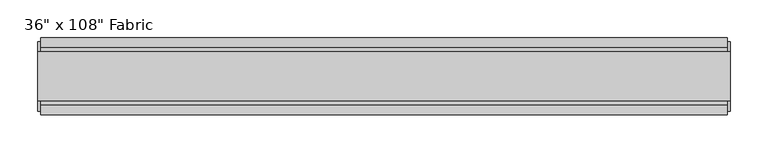
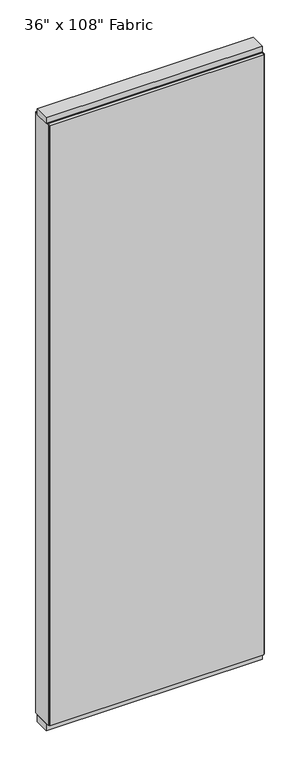
"""IFC4 building model written with IfcOpenShell, lengths in millimetres: furniture geometry."""

from ifc_helpers import new_model, si_unit, frame, origin, origin_with_axes, place, context, project, spatial, polyline, outline, extrude, source, transform, mapped, element, save


def furniture_d7e1df76(model_context):
    return source(origin(), model_context, "Body", "SweptSolid", [
        extrude(outline(polyline([(393.2264771, -46.2822784), (-513.2995229, -46.2822784), (-513.2995229, -33.5822784), (393.2264771, -33.5822784), (393.2264771, -46.2822784)])), frame((0.0, 0.0, 31.75), z_axis=(0.0, 0.0, 1.0), x_axis=(1.0, 0.0, 0.0)), (0.0, 0.0, 1.0), 2686.05),
        extrude(outline(polyline([(393.2264771, 55.3177216), (393.2264771, 42.6177216), (-513.2995229, 42.6177216), (-513.2995229, 55.3177216), (393.2264771, 55.3177216)])), frame((0.0, 0.0, 31.75), z_axis=(0.0, 0.0, 1.0), x_axis=(1.0, 0.0, 0.0)), (0.0, 0.0, 1.0), 2686.05),
        extrude(outline(polyline([(42.6177216, 2681.478), (37.6647216, 2681.478), (37.6647216, 2676.525), (-28.6292784, 2676.525), (-28.6292784, 2681.478), (-33.5822784, 2681.478), (-33.5822784, 2717.8), (42.6177216, 2717.8), (42.6177216, 2681.478)])), frame((-513.2995229, 0.0, 0.0), z_axis=(1.0, 0.0, 0.0), x_axis=(0.0, 1.0, 0.0)), (0.0, 0.0, 1.0), 906.526),
        extrude(outline(polyline([(397.1634771, -27.9942784), (-517.2365229, -27.9942784), (-517.2365229, 37.0297216), (397.1634771, 37.0297216), (397.1634771, -27.9942784)])), origin_with_axes(), (0.0, 0.0, 1.0), 31.75),
        extrude(outline(polyline([(-517.2365229, 37.0297216), (397.1634771, 37.0297216), (397.1634771, -27.9942784), (-517.2365229, -27.9942784), (-517.2365229, 37.0297216)])), frame((0.0, 0.0, 2717.8), z_axis=(0.0, 0.0, 1.0), x_axis=(1.0, 0.0, 0.0)), (0.0, 0.0, 1.0), 25.4),
        extrude(outline(polyline([(397.1634771, 50.3647216), (397.1634771, -41.3292784), (393.2264771, -41.3292784), (393.2264771, 50.3647216), (397.1634771, 50.3647216)])), frame((0.0, 0.0, 31.75), z_axis=(0.0, 0.0, 1.0), x_axis=(1.0, 0.0, 0.0)), (0.0, 0.0, 1.0), 2686.05),
        extrude(outline(polyline([(-517.2365229, 50.3647216), (-513.2995229, 50.3647216), (-513.2995229, -41.3292784), (-517.2365229, -41.3292784), (-517.2365229, 50.3647216)])), frame((0.0, 0.0, 31.75), z_axis=(0.0, 0.0, 1.0), x_axis=(1.0, 0.0, 0.0)), (0.0, 0.0, 1.0), 2686.05),
    ])


if __name__ == "__main__":
    model = new_model("IFC4")
    model_context = context("Model", 3, world=origin())
    ifc_project = project(units=[si_unit("LENGTHUNIT", "METRE", prefix="MILLI")], contexts=[model_context])
    site = spatial("IfcSite", under=ifc_project)
    building = spatial("IfcBuilding", under=site)
    placement = place(None, origin())
    furniture_shape = furniture_d7e1df76(model_context)
    element("IfcFurniture", 1, ObjectType="36\" x 108\" Fabric", at=placement, inside=building, context=model_context, shape_type="MappedRepresentation", body=[
        mapped(furniture_shape, transform((0.0, 0.0, 0.0), x_axis=(1.0, 0.0, 0.0), y_axis=(0.0, 1.0, 0.0), z_axis=(0.0, 0.0, 1.0))),
    ])
    save(model, "model.ifc")
